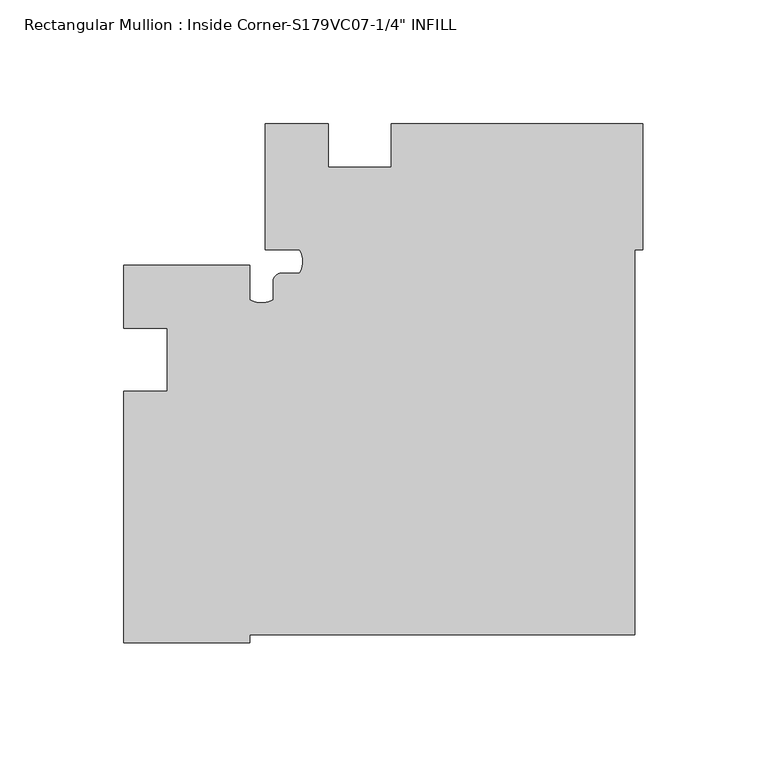
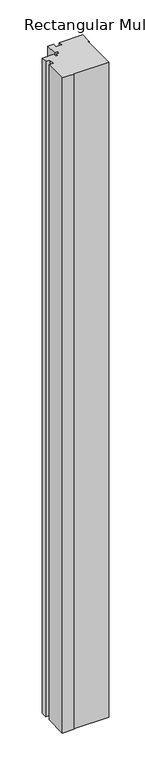
"""IFC4 building model written with IfcOpenShell, lengths in millimetres: member geometry."""

import ifcopenshell
import ifcopenshell.guid

model = None  # the IFC model being written
_history = None  # IfcOwnerHistory: only IFC2X3 demands one
_inside = {}  # id of a spatial element -> (the spatial element, [elements in it])
_under = {}  # id of a project, library or spatial element -> (it, [spatial elements below it])
_declared = {}  # id of a project -> (the project, [libraries it declares])
_typed = {}  # id of a type object -> (the type object, [elements of that type])
_made_of = {}  # id of a material, layer set ... -> (it, [elements and type objects made of it])


def new_model(schema):
    """Start an empty IFC model of exactly this schema.

    Asked for "IFC4X3", IfcOpenShell would pick the latest addendum, in which some entities
    have other attributes; the version numbers below select the first issue.
    IFC2X3 requires an IfcOwnerHistory on every rooted entity: one is made here for all.
    """
    global model, _history
    if schema == "IFC4X3":
        model = ifcopenshell.file(schema_version=(4, 3, 0, 0))
    else:
        model = ifcopenshell.file(schema=schema)
    _inside.clear()
    _under.clear()
    _declared.clear()
    _typed.clear()
    _made_of.clear()
    _history = None
    if model.schema == "IFC2X3":
        org = make("IfcOrganization", Name="unknown")
        user = make(
            "IfcPersonAndOrganization",
            ThePerson=make("IfcPerson", FamilyName="unknown"),
            TheOrganization=org,
        )
        app = make(
            "IfcApplication",
            ApplicationDeveloper=org,
            Version="unknown",
            ApplicationFullName="unknown",
            ApplicationIdentifier="unknown",
        )
        _history = make(
            "IfcOwnerHistory",
            OwningUser=user,
            OwningApplication=app,
            ChangeAction="ADDED",
            CreationDate=0,
        )
    return model


def make(cls, **values):
    """One entity of the class cls with the attributes given. An attribute that is None is left unset."""
    return model.create_entity(
        cls, **{name: value for name, value in values.items() if value is not None}
    )


def rooted(cls, **values):
    """An entity with a GlobalId (a new one), such as an element, a storey or a relation."""
    return make(cls, GlobalId=ifcopenshell.guid.new(), OwnerHistory=_history, **values)


def si_unit(unit_type, name, prefix=None):
    """IfcSIUnit, for example si_unit("LENGTHUNIT", "METRE", prefix="MILLI")."""
    return make("IfcSIUnit", UnitType=unit_type, Prefix=prefix, Name=name)


def assignment(units):
    """IfcUnitAssignment: the units of a project."""
    return None if units is None else make("IfcUnitAssignment", Units=units)


def point(xyz):
    """IfcCartesianPoint."""
    return None if xyz is None else make("IfcCartesianPoint", Coordinates=xyz)


def direction(xyz):
    """IfcDirection."""
    return None if xyz is None else make("IfcDirection", DirectionRatios=xyz)


def frame(location, z_axis=None, x_axis=None):
    """IfcAxis2Placement3D, a coordinate frame: its origin and axes. An axis left out is left unset."""
    return make(
        "IfcAxis2Placement3D",
        Location=point(location),
        Axis=direction(z_axis),
        RefDirection=direction(x_axis),
    )


def frame_2d(location, x_axis=None):
    """IfcAxis2Placement2D, a coordinate frame in the plane: its origin and x axis."""
    return make(
        "IfcAxis2Placement2D", Location=point(location), RefDirection=direction(x_axis)
    )


def origin():
    """The frame at (0, 0, 0) with its axes left unset."""
    return frame((0.0, 0.0, 0.0))


def place(relative_to, where):
    """IfcLocalPlacement: puts the frame where relative to a parent placement (None: the world)."""
    return make(
        "IfcLocalPlacement", PlacementRelTo=relative_to, RelativePlacement=where
    )


def context(
    kind, dimensions, precision=None, world=None, true_north=None, identifier=None
):
    """IfcGeometricRepresentationContext, for example the 3D "Model" context."""
    return make(
        "IfcGeometricRepresentationContext",
        ContextIdentifier=identifier,
        ContextType=kind,
        CoordinateSpaceDimension=dimensions,
        Precision=precision,
        WorldCoordinateSystem=world,
        TrueNorth=true_north,
    )


def project(units=None, contexts=None):
    """IfcProject with its units and contexts."""
    return rooted(
        "IfcProject",
        Name="project",
        RepresentationContexts=contexts,
        UnitsInContext=assignment(units),
    )


def spatial(cls, under=None, at=None, **own):
    """A site, building, storey or space (cls), placed at a placement, below another one or the project."""
    s = rooted(cls, ObjectPlacement=at, **own)
    if under is not None:
        _under.setdefault(under.id(), (under, []))[1].append(s)
    return s


def polyline(points):
    """IfcPolyline through the points."""
    return make("IfcPolyline", Points=[point(p) for p in points])


def circle_curve(where, radius):
    """IfcCircle in the frame where."""
    return make("IfcCircle", Position=where, Radius=radius)


def trimmed(basis, trim1, trim2, sense, master):
    """IfcTrimmedCurve: the piece of a basis curve between two trims."""
    return make(
        "IfcTrimmedCurve",
        BasisCurve=basis,
        Trim1=trim1,
        Trim2=trim2,
        SenseAgreement=sense,
        MasterRepresentation=master,
    )


def segment(curve, same_sense, transition):
    """IfcCompositeCurveSegment."""
    return make(
        "IfcCompositeCurveSegment",
        Transition=transition,
        SameSense=same_sense,
        ParentCurve=curve,
    )


def composite_curve(segments, self_intersect=None):
    """IfcCompositeCurve: segments joined end to end."""
    return make("IfcCompositeCurve", Segments=segments, SelfIntersect=self_intersect)


def outline(outer, holes=None, kind="AREA"):
    """IfcArbitraryClosedProfileDef: a profile drawn as a closed curve; with holes, ...WithVoids."""
    if holes is None:
        return make("IfcArbitraryClosedProfileDef", ProfileType=kind, OuterCurve=outer)
    return make(
        "IfcArbitraryProfileDefWithVoids",
        ProfileType=kind,
        OuterCurve=outer,
        InnerCurves=holes,
    )


def extrude(swept, where, along, depth):
    """IfcExtrudedAreaSolid: the profile swept, set in the frame where, extruded along a direction by depth."""
    return make(
        "IfcExtrudedAreaSolid",
        SweptArea=swept,
        Position=where,
        ExtrudedDirection=direction(along),
        Depth=depth,
    )


def shape(context_of_items, identifier, shape_type, items):
    """IfcShapeRepresentation: the items that make up one representation, for example the "Body"."""
    return make(
        "IfcShapeRepresentation",
        ContextOfItems=context_of_items,
        RepresentationIdentifier=identifier,
        RepresentationType=shape_type,
        Items=items,
    )


def source(mapping_origin, context_of_items, identifier, shape_type, items):
    """IfcRepresentationMap: a shape defined once, which mapped items show again and again."""
    return make(
        "IfcRepresentationMap",
        MappingOrigin=mapping_origin,
        MappedRepresentation=shape(context_of_items, identifier, shape_type, items),
    )


def transform(
    local_origin,
    x_axis=None,
    y_axis=None,
    z_axis=None,
    scale=None,
    scale2=None,
    scale3=None,
    uniform=True,
):
    """IfcCartesianTransformationOperator3D, or its non-uniform kind. x_axis, y_axis, z_axis: its Axis1, 2, 3."""
    if uniform:
        return make(
            "IfcCartesianTransformationOperator3D",
            Axis1=direction(x_axis),
            Axis2=direction(y_axis),
            LocalOrigin=point(local_origin),
            Scale=scale,
            Axis3=direction(z_axis),
        )
    return make(
        "IfcCartesianTransformationOperator3DnonUniform",
        Axis1=direction(x_axis),
        Axis2=direction(y_axis),
        LocalOrigin=point(local_origin),
        Scale=scale,
        Axis3=direction(z_axis),
        Scale2=scale2,
        Scale3=scale3,
    )


def mapped(mapping_source, mapping_target):
    """IfcMappedItem: shows the shape of a source again, moved by a transform."""
    return make(
        "IfcMappedItem", MappingSource=mapping_source, MappingTarget=mapping_target
    )


def made_of(thing, what):
    """Note that an element or type object is made of a material, layer set ...; save() writes the relation."""
    if what is not None:
        _made_of.setdefault(what.id(), (what, []))[1].append(thing)
    return thing


def element(
    cls,
    number,
    at=None,
    inside=None,
    cuts=None,
    type_object=None,
    material=None,
    context=None,
    identifier="Body",
    shape_type=None,
    held_by="IfcProductDefinitionShape",
    body=None,
    shapes=None,
    **own,
):
    """One element of the class cls, such as IfcWall. Its Tag is "e" and its number.

    at: its placement. inside: the storey or other place that contains it. cuts: it is an
    opening in that element (IfcRelVoidsElement). A single representation is given by context,
    identifier, shape_type and body (its items); several are given by shapes. held_by: the class
    of the entity that holds the representations. save() writes the other relations.
    """
    e = rooted(cls, Tag="e%d" % number, ObjectPlacement=at, **own)
    if body is not None:
        shapes = [shape(context, identifier, shape_type, body)]
    if shapes is not None:
        e.Representation = make(held_by, Representations=shapes)
    if inside is not None:
        _inside.setdefault(inside.id(), (inside, []))[1].append(e)
    if cuts is not None:
        rooted(
            "IfcRelVoidsElement", RelatingBuildingElement=cuts, RelatedOpeningElement=e
        )
    if type_object is not None:
        _typed.setdefault(type_object.id(), (type_object, []))[1].append(e)
    return made_of(e, material)


def aggregate(whole, parts):
    """IfcRelAggregates: a whole, such as a stair, and the parts it consists of."""
    return rooted("IfcRelAggregates", RelatingObject=whole, RelatedObjects=parts)


def save(model, path):
    """Write the relations noted so far, then the file.

    IfcRelAggregates (storeys below a building ...), IfcRelContainedInSpatialStructure (elements
    in a storey), IfcRelDefinesByType, IfcRelAssociatesMaterial and IfcRelDeclares: one each for
    every whole, place, type object, material and project.
    """
    for whole, parts in _under.values():
        aggregate(whole, parts)
    for where, things in _inside.values():
        rooted(
            "IfcRelContainedInSpatialStructure",
            RelatedElements=things,
            RelatingStructure=where,
        )
    for kind, things in _typed.values():
        rooted("IfcRelDefinesByType", RelatedObjects=things, RelatingType=kind)
    for what, things in _made_of.values():
        rooted("IfcRelAssociatesMaterial", RelatedObjects=things, RelatingMaterial=what)
    for by, libraries in _declared.values():
        rooted("IfcRelDeclares", RelatingContext=by, RelatedDefinitions=libraries)
    model.write(path)


def member_82cc6025(model_context):
    return source(origin(), model_context, "Body", "SweptSolid", [
        extrude(outline(composite_curve([segment(polyline([(-101.6, 57.15), (0.0, 57.15), (0.0, 6.35), (-3.1750004, 6.3499994), (-3.1750004, -149.2249996), (-158.75, -149.2249996), (-158.75, -152.4), (-209.55, -152.4), (-209.55, -50.8), (-192.1002, -50.8), (-192.1002, -25.4), (-209.55, -25.4), (-209.55, 0.0), (-158.75, 0.0), (-158.75, -13.8176)]), True, "CONTINUOUS"), segment(trimmed(circle_curve(frame_2d((-153.9875, -5.568708)), 9.525), [point((-158.75, -13.8176))], [point((-149.225, -13.8176))], True, "CARTESIAN"), True, "CONTINUOUS"), segment(polyline([(-149.225, -13.8176), (-149.225, -6.35)]), True, "CONTINUOUS"), segment(trimmed(circle_curve(frame_2d((-146.05, -6.35)), 3.175), [point((-149.225, -6.35))], [point((-146.05, -3.175))], False, "CARTESIAN"), True, "CONTINUOUS"), segment(polyline([(-146.05, -3.175), (-138.5824, -3.175)]), True, "CONTINUOUS"), segment(trimmed(circle_curve(frame_2d((-146.831292, 1.5875)), 9.525), [point((-138.5824, -3.175))], [point((-138.5824, 6.35))], True, "CARTESIAN"), True, "CONTINUOUS"), segment(polyline([(-138.5824, 6.35), (-152.4, 6.35), (-152.4, 57.15), (-127.0, 57.15), (-127.0, 39.7002), (-101.6, 39.7002), (-101.6, 57.15)]), True, "CONTINUOUS")], self_intersect=False)), frame((0.0, 0.0, -3048.0), z_axis=(0.0, 0.0, 1.0), x_axis=(1.0, 0.0, 0.0)), (0.0, 0.0, 1.0), 3048.0),
    ])


if __name__ == "__main__":
    model = new_model("IFC4")
    model_context = context("Model", 3, world=origin())
    ifc_project = project(units=[si_unit("LENGTHUNIT", "METRE", prefix="MILLI")], contexts=[model_context])
    site = spatial("IfcSite", under=ifc_project)
    building = spatial("IfcBuilding", under=site)
    placement = place(None, origin())
    member_shape = member_82cc6025(model_context)
    element("IfcMember", 1, ObjectType="Rectangular Mullion : Inside Corner-S179VC07-1/4\" INFILL", at=placement, inside=building, context=model_context, shape_type="MappedRepresentation", body=[
        mapped(member_shape, transform((0.0, 0.0, 0.0), x_axis=(1.0, 0.0, 0.0), y_axis=(0.0, 1.0, 0.0), z_axis=(0.0, 0.0, 1.0))),
    ])
    save(model, "model.ifc")
